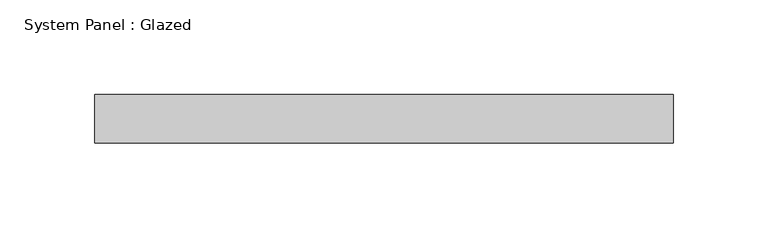
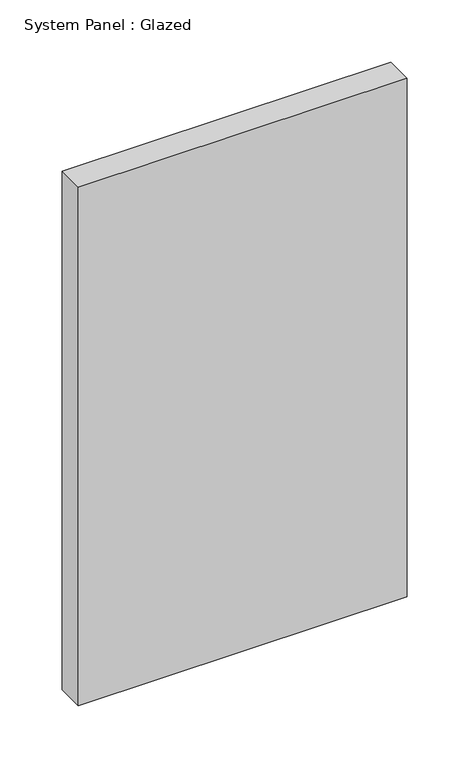
"""IFC4 building model written with IfcOpenShell, lengths in millimetres: plate geometry, System Panel : Glazed."""

from ifc_helpers import new_model, si_unit, origin, origin_with_axes, place, context, project, spatial, polyline, outline, extrude, source, transform, mapped, element, save


def system_panel_glazed_5dcb852c(model_context):
    return source(origin(), model_context, "Body", "SweptSolid", [
        extrude(outline(polyline([(152.4, -12.7), (-152.4, -12.7), (-152.4, 12.7), (152.4, 12.7), (152.4, -12.7)])), origin_with_axes(), (0.0, 0.0, 1.0), 508.0),
    ])


if __name__ == "__main__":
    model = new_model("IFC4")
    model_context = context("Model", 3, world=origin())
    ifc_project = project(units=[si_unit("LENGTHUNIT", "METRE", prefix="MILLI")], contexts=[model_context])
    site = spatial("IfcSite", under=ifc_project)
    building = spatial("IfcBuilding", under=site)
    placement = place(None, origin())
    system_panel_glazed_shape = system_panel_glazed_5dcb852c(model_context)
    element("IfcPlate", 1, ObjectType="System Panel : Glazed", at=placement, inside=building, context=model_context, shape_type="MappedRepresentation", body=[
        mapped(system_panel_glazed_shape, transform((0.0, 0.0, 0.0), x_axis=(1.0, 0.0, 0.0), y_axis=(0.0, 1.0, 0.0), z_axis=(0.0, 0.0, 1.0))),
    ])
    save(model, "model.ifc")
